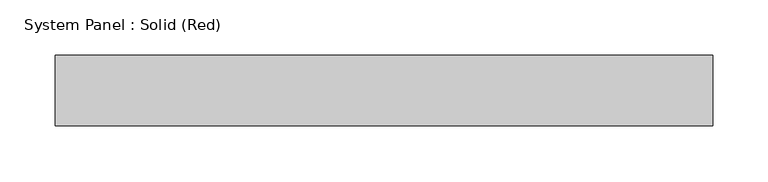
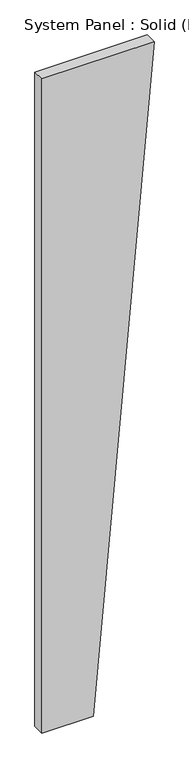
"""IFC4 building model written with IfcOpenShell, lengths in millimetres: plate geometry, System Panel : Solid (Red)."""

from ifc_helpers import new_model, si_unit, frame, origin, place, context, project, spatial, polyline, outline, extrude, source, transform, mapped, element, save


def system_panel_solid_red_901451ba(model_context):
    return source(origin(), model_context, "Body", "SweptSolid", [
        extrude(outline(polyline([(0.0, -296.7789472), (0.0, -24.063158), (3657.6, 296.7789472), (3657.6, -296.7789472), (0.0, -296.7789472)])), frame((0.0, -19.05, 0.0), z_axis=(0.0, 1.0, 0.0), x_axis=(0.0, 0.0, 1.0)), (0.0, 0.0, 1.0), 63.5),
    ])


if __name__ == "__main__":
    model = new_model("IFC4")
    model_context = context("Model", 3, world=origin())
    ifc_project = project(units=[si_unit("LENGTHUNIT", "METRE", prefix="MILLI")], contexts=[model_context])
    site = spatial("IfcSite", under=ifc_project)
    building = spatial("IfcBuilding", under=site)
    placement = place(None, origin())
    system_panel_solid_red_shape = system_panel_solid_red_901451ba(model_context)
    element("IfcPlate", 1, ObjectType="System Panel : Solid (Red)", at=placement, inside=building, context=model_context, shape_type="MappedRepresentation", body=[
        mapped(system_panel_solid_red_shape, transform((0.0, 0.0, 0.0), x_axis=(1.0, 0.0, 0.0), y_axis=(0.0, 1.0, 0.0), z_axis=(0.0, 0.0, 1.0))),
    ])
    save(model, "model.ifc")
